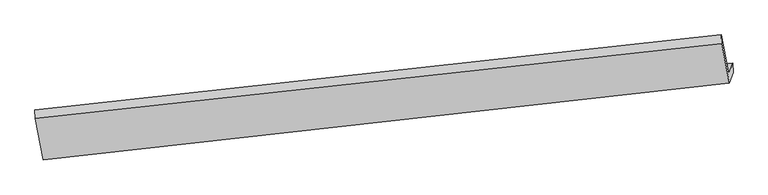
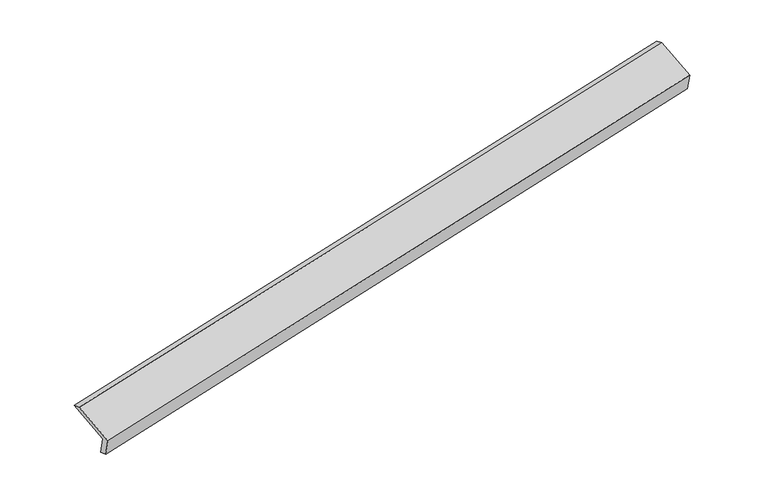
"""IFC4 building model written with IfcOpenShell, lengths in millimetres: proxy geometry."""

import ifcopenshell
import ifcopenshell.guid

model = None  # the IFC model being written
_history = None  # IfcOwnerHistory: only IFC2X3 demands one
_inside = {}  # id of a spatial element -> (the spatial element, [elements in it])
_under = {}  # id of a project, library or spatial element -> (it, [spatial elements below it])
_declared = {}  # id of a project -> (the project, [libraries it declares])
_typed = {}  # id of a type object -> (the type object, [elements of that type])
_made_of = {}  # id of a material, layer set ... -> (it, [elements and type objects made of it])


def new_model(schema):
    """Start an empty IFC model of exactly this schema.

    Asked for "IFC4X3", IfcOpenShell would pick the latest addendum, in which some entities
    have other attributes; the version numbers below select the first issue.
    IFC2X3 requires an IfcOwnerHistory on every rooted entity: one is made here for all.
    """
    global model, _history
    if schema == "IFC4X3":
        model = ifcopenshell.file(schema_version=(4, 3, 0, 0))
    else:
        model = ifcopenshell.file(schema=schema)
    _inside.clear()
    _under.clear()
    _declared.clear()
    _typed.clear()
    _made_of.clear()
    _history = None
    if model.schema == "IFC2X3":
        org = make("IfcOrganization", Name="unknown")
        user = make(
            "IfcPersonAndOrganization",
            ThePerson=make("IfcPerson", FamilyName="unknown"),
            TheOrganization=org,
        )
        app = make(
            "IfcApplication",
            ApplicationDeveloper=org,
            Version="unknown",
            ApplicationFullName="unknown",
            ApplicationIdentifier="unknown",
        )
        _history = make(
            "IfcOwnerHistory",
            OwningUser=user,
            OwningApplication=app,
            ChangeAction="ADDED",
            CreationDate=0,
        )
    return model


def make(cls, **values):
    """One entity of the class cls with the attributes given. An attribute that is None is left unset."""
    return model.create_entity(
        cls, **{name: value for name, value in values.items() if value is not None}
    )


def rooted(cls, **values):
    """An entity with a GlobalId (a new one), such as an element, a storey or a relation."""
    return make(cls, GlobalId=ifcopenshell.guid.new(), OwnerHistory=_history, **values)


def si_unit(unit_type, name, prefix=None):
    """IfcSIUnit, for example si_unit("LENGTHUNIT", "METRE", prefix="MILLI")."""
    return make("IfcSIUnit", UnitType=unit_type, Prefix=prefix, Name=name)


def assignment(units):
    """IfcUnitAssignment: the units of a project."""
    return None if units is None else make("IfcUnitAssignment", Units=units)


def point(xyz):
    """IfcCartesianPoint."""
    return None if xyz is None else make("IfcCartesianPoint", Coordinates=xyz)


def direction(xyz):
    """IfcDirection."""
    return None if xyz is None else make("IfcDirection", DirectionRatios=xyz)


def frame(location, z_axis=None, x_axis=None):
    """IfcAxis2Placement3D, a coordinate frame: its origin and axes. An axis left out is left unset."""
    return make(
        "IfcAxis2Placement3D",
        Location=point(location),
        Axis=direction(z_axis),
        RefDirection=direction(x_axis),
    )


def origin():
    """The frame at (0, 0, 0) with its axes left unset."""
    return frame((0.0, 0.0, 0.0))


def place(relative_to, where):
    """IfcLocalPlacement: puts the frame where relative to a parent placement (None: the world)."""
    return make(
        "IfcLocalPlacement", PlacementRelTo=relative_to, RelativePlacement=where
    )


def context(
    kind, dimensions, precision=None, world=None, true_north=None, identifier=None
):
    """IfcGeometricRepresentationContext, for example the 3D "Model" context."""
    return make(
        "IfcGeometricRepresentationContext",
        ContextIdentifier=identifier,
        ContextType=kind,
        CoordinateSpaceDimension=dimensions,
        Precision=precision,
        WorldCoordinateSystem=world,
        TrueNorth=true_north,
    )


def project(units=None, contexts=None):
    """IfcProject with its units and contexts."""
    return rooted(
        "IfcProject",
        Name="project",
        RepresentationContexts=contexts,
        UnitsInContext=assignment(units),
    )


def spatial(cls, under=None, at=None, **own):
    """A site, building, storey or space (cls), placed at a placement, below another one or the project."""
    s = rooted(cls, ObjectPlacement=at, **own)
    if under is not None:
        _under.setdefault(under.id(), (under, []))[1].append(s)
    return s


def faces_of(points, faces, orient=None, outer=None):
    """IfcFace entities. A face is a list of loops; a loop is a list of indices into points, from 0.

    orient and outer hold one flag for each loop. By default every Orientation is true, the
    first loop of a face is its IfcFaceOuterBound and the others are IfcFaceBound.
    """
    made = []
    for i, loops in enumerate(faces):
        bounds = []
        for j, loop in enumerate(loops):
            is_outer = j == 0 if outer is None else outer[i][j]
            bounds.append(
                make(
                    "IfcFaceOuterBound" if is_outer else "IfcFaceBound",
                    Bound=make("IfcPolyLoop", Polygon=[points[k] for k in loop]),
                    Orientation=True if orient is None else orient[i][j],
                )
            )
        made.append(make("IfcFace", Bounds=bounds))
    return made


def faceted_brep(points, faces, orient=None, outer=None, voids=None):
    """IfcFacetedBrep: a solid bounded by flat faces; with voids (closed shells), ...WithVoids."""
    shared = [point(p) for p in points]
    hull = make("IfcClosedShell", CfsFaces=faces_of(shared, faces, orient, outer))
    if voids is None:
        return make("IfcFacetedBrep", Outer=hull)
    return make(
        "IfcFacetedBrepWithVoids",
        Outer=hull,
        Voids=[
            make(cls, CfsFaces=faces_of(shared, fs, o, b)) for cls, fs, o, b in voids
        ],
    )


def shape(context_of_items, identifier, shape_type, items):
    """IfcShapeRepresentation: the items that make up one representation, for example the "Body"."""
    return make(
        "IfcShapeRepresentation",
        ContextOfItems=context_of_items,
        RepresentationIdentifier=identifier,
        RepresentationType=shape_type,
        Items=items,
    )


def source(mapping_origin, context_of_items, identifier, shape_type, items):
    """IfcRepresentationMap: a shape defined once, which mapped items show again and again."""
    return make(
        "IfcRepresentationMap",
        MappingOrigin=mapping_origin,
        MappedRepresentation=shape(context_of_items, identifier, shape_type, items),
    )


def transform(
    local_origin,
    x_axis=None,
    y_axis=None,
    z_axis=None,
    scale=None,
    scale2=None,
    scale3=None,
    uniform=True,
):
    """IfcCartesianTransformationOperator3D, or its non-uniform kind. x_axis, y_axis, z_axis: its Axis1, 2, 3."""
    if uniform:
        return make(
            "IfcCartesianTransformationOperator3D",
            Axis1=direction(x_axis),
            Axis2=direction(y_axis),
            LocalOrigin=point(local_origin),
            Scale=scale,
            Axis3=direction(z_axis),
        )
    return make(
        "IfcCartesianTransformationOperator3DnonUniform",
        Axis1=direction(x_axis),
        Axis2=direction(y_axis),
        LocalOrigin=point(local_origin),
        Scale=scale,
        Axis3=direction(z_axis),
        Scale2=scale2,
        Scale3=scale3,
    )


def mapped(mapping_source, mapping_target):
    """IfcMappedItem: shows the shape of a source again, moved by a transform."""
    return make(
        "IfcMappedItem", MappingSource=mapping_source, MappingTarget=mapping_target
    )


def made_of(thing, what):
    """Note that an element or type object is made of a material, layer set ...; save() writes the relation."""
    if what is not None:
        _made_of.setdefault(what.id(), (what, []))[1].append(thing)
    return thing


def element(
    cls,
    number,
    at=None,
    inside=None,
    cuts=None,
    type_object=None,
    material=None,
    context=None,
    identifier="Body",
    shape_type=None,
    held_by="IfcProductDefinitionShape",
    body=None,
    shapes=None,
    **own,
):
    """One element of the class cls, such as IfcWall. Its Tag is "e" and its number.

    at: its placement. inside: the storey or other place that contains it. cuts: it is an
    opening in that element (IfcRelVoidsElement). A single representation is given by context,
    identifier, shape_type and body (its items); several are given by shapes. held_by: the class
    of the entity that holds the representations. save() writes the other relations.
    """
    e = rooted(cls, Tag="e%d" % number, ObjectPlacement=at, **own)
    if body is not None:
        shapes = [shape(context, identifier, shape_type, body)]
    if shapes is not None:
        e.Representation = make(held_by, Representations=shapes)
    if inside is not None:
        _inside.setdefault(inside.id(), (inside, []))[1].append(e)
    if cuts is not None:
        rooted(
            "IfcRelVoidsElement", RelatingBuildingElement=cuts, RelatedOpeningElement=e
        )
    if type_object is not None:
        _typed.setdefault(type_object.id(), (type_object, []))[1].append(e)
    return made_of(e, material)


def aggregate(whole, parts):
    """IfcRelAggregates: a whole, such as a stair, and the parts it consists of."""
    return rooted("IfcRelAggregates", RelatingObject=whole, RelatedObjects=parts)


def save(model, path):
    """Write the relations noted so far, then the file.

    IfcRelAggregates (storeys below a building ...), IfcRelContainedInSpatialStructure (elements
    in a storey), IfcRelDefinesByType, IfcRelAssociatesMaterial and IfcRelDeclares: one each for
    every whole, place, type object, material and project.
    """
    for whole, parts in _under.values():
        aggregate(whole, parts)
    for where, things in _inside.values():
        rooted(
            "IfcRelContainedInSpatialStructure",
            RelatedElements=things,
            RelatingStructure=where,
        )
    for kind, things in _typed.values():
        rooted("IfcRelDefinesByType", RelatedObjects=things, RelatingType=kind)
    for what, things in _made_of.values():
        rooted("IfcRelAssociatesMaterial", RelatedObjects=things, RelatingMaterial=what)
    for by, libraries in _declared.values():
        rooted("IfcRelDeclares", RelatingContext=by, RelatedDefinitions=libraries)
    model.write(path)


def generic_models_a5779af9(model_context):
    return source(origin(), model_context, "Body", "Brep", [
        faceted_brep([(-8705.0644264, -2200.080348, 328.7677333), (-8767.3042056, -2377.5236551, 728.2832676), (3085.8879622, -1052.4058366, 3152.3636823), (3149.537294, -870.9439473, 2743.8002665), (-8697.7808387, -2363.0258284, 380.7152446), (3156.8208817, -1033.8894277, 2795.7477778), (-8760.0206179, -2540.4691355, 780.2307789), (3093.1715499, -1215.351317, 3204.3111936), (-8898.3635493, -1829.5816887, 1074.4165513), (2960.1379719, -531.7464544, 3487.2066441), (-8903.8773525, -1675.730403, 1018.7055994), (2954.6241687, -377.8951687, 3431.4956922)], [[[0, 1, 2, 3]], [[4, 0, 3, 5]], [[6, 4, 5, 7]], [[8, 6, 7, 9]], [[10, 8, 9, 11]], [[1, 10, 11, 2]], [[9, 7, 5, 3, 2, 11]], [[1, 0, 4, 6, 8, 10]]]),
    ])


if __name__ == "__main__":
    model = new_model("IFC4")
    model_context = context("Model", 3, world=origin())
    ifc_project = project(units=[si_unit("LENGTHUNIT", "METRE", prefix="MILLI")], contexts=[model_context])
    site = spatial("IfcSite", under=ifc_project)
    building = spatial("IfcBuilding", under=site)
    placement = place(None, origin())
    generic_models_shape = generic_models_a5779af9(model_context)
    element("IfcBuildingElementProxy", 1, Name="Generic Models", at=placement, inside=building, context=model_context, shape_type="MappedRepresentation", body=[
        mapped(generic_models_shape, transform((0.0, 0.0, 0.0), x_axis=(1.0, 0.0, 0.0), y_axis=(0.0, 1.0, 0.0), z_axis=(0.0, 0.0, 1.0))),
    ])
    save(model, "model.ifc")
